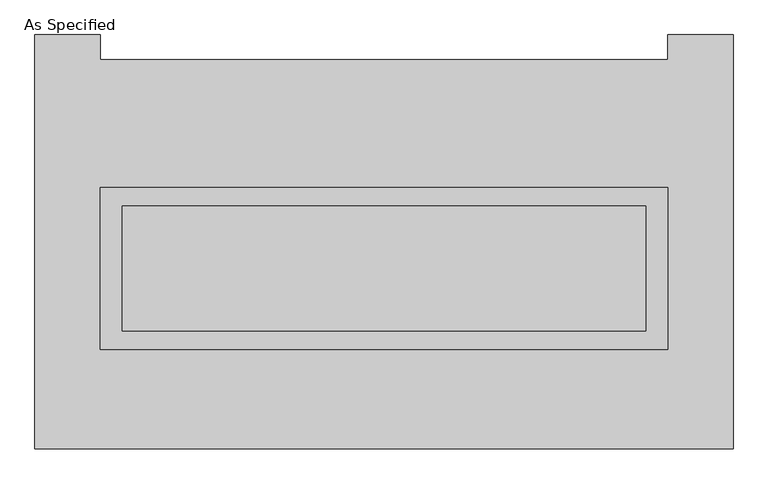
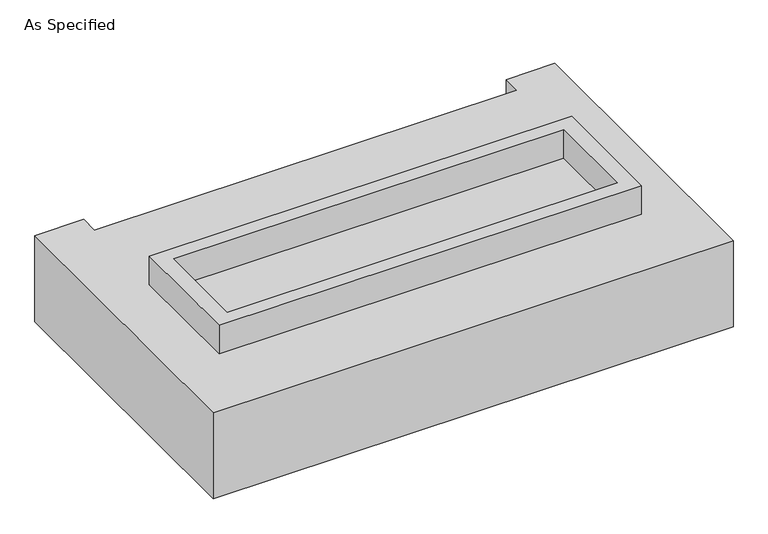
"""IFC4 building model written with IfcOpenShell, lengths in millimetres: proxy geometry, As Specified."""

import ifcopenshell
import ifcopenshell.guid

model = None  # the IFC model being written
_history = None  # IfcOwnerHistory: only IFC2X3 demands one
_inside = {}  # id of a spatial element -> (the spatial element, [elements in it])
_under = {}  # id of a project, library or spatial element -> (it, [spatial elements below it])
_declared = {}  # id of a project -> (the project, [libraries it declares])
_typed = {}  # id of a type object -> (the type object, [elements of that type])
_made_of = {}  # id of a material, layer set ... -> (it, [elements and type objects made of it])


def new_model(schema):
    """Start an empty IFC model of exactly this schema.

    Asked for "IFC4X3", IfcOpenShell would pick the latest addendum, in which some entities
    have other attributes; the version numbers below select the first issue.
    IFC2X3 requires an IfcOwnerHistory on every rooted entity: one is made here for all.
    """
    global model, _history
    if schema == "IFC4X3":
        model = ifcopenshell.file(schema_version=(4, 3, 0, 0))
    else:
        model = ifcopenshell.file(schema=schema)
    _inside.clear()
    _under.clear()
    _declared.clear()
    _typed.clear()
    _made_of.clear()
    _history = None
    if model.schema == "IFC2X3":
        org = make("IfcOrganization", Name="unknown")
        user = make(
            "IfcPersonAndOrganization",
            ThePerson=make("IfcPerson", FamilyName="unknown"),
            TheOrganization=org,
        )
        app = make(
            "IfcApplication",
            ApplicationDeveloper=org,
            Version="unknown",
            ApplicationFullName="unknown",
            ApplicationIdentifier="unknown",
        )
        _history = make(
            "IfcOwnerHistory",
            OwningUser=user,
            OwningApplication=app,
            ChangeAction="ADDED",
            CreationDate=0,
        )
    return model


def make(cls, **values):
    """One entity of the class cls with the attributes given. An attribute that is None is left unset."""
    return model.create_entity(
        cls, **{name: value for name, value in values.items() if value is not None}
    )


def rooted(cls, **values):
    """An entity with a GlobalId (a new one), such as an element, a storey or a relation."""
    return make(cls, GlobalId=ifcopenshell.guid.new(), OwnerHistory=_history, **values)


def si_unit(unit_type, name, prefix=None):
    """IfcSIUnit, for example si_unit("LENGTHUNIT", "METRE", prefix="MILLI")."""
    return make("IfcSIUnit", UnitType=unit_type, Prefix=prefix, Name=name)


def assignment(units):
    """IfcUnitAssignment: the units of a project."""
    return None if units is None else make("IfcUnitAssignment", Units=units)


def point(xyz):
    """IfcCartesianPoint."""
    return None if xyz is None else make("IfcCartesianPoint", Coordinates=xyz)


def direction(xyz):
    """IfcDirection."""
    return None if xyz is None else make("IfcDirection", DirectionRatios=xyz)


def frame(location, z_axis=None, x_axis=None):
    """IfcAxis2Placement3D, a coordinate frame: its origin and axes. An axis left out is left unset."""
    return make(
        "IfcAxis2Placement3D",
        Location=point(location),
        Axis=direction(z_axis),
        RefDirection=direction(x_axis),
    )


def origin():
    """The frame at (0, 0, 0) with its axes left unset."""
    return frame((0.0, 0.0, 0.0))


def place(relative_to, where):
    """IfcLocalPlacement: puts the frame where relative to a parent placement (None: the world)."""
    return make(
        "IfcLocalPlacement", PlacementRelTo=relative_to, RelativePlacement=where
    )


def context(
    kind, dimensions, precision=None, world=None, true_north=None, identifier=None
):
    """IfcGeometricRepresentationContext, for example the 3D "Model" context."""
    return make(
        "IfcGeometricRepresentationContext",
        ContextIdentifier=identifier,
        ContextType=kind,
        CoordinateSpaceDimension=dimensions,
        Precision=precision,
        WorldCoordinateSystem=world,
        TrueNorth=true_north,
    )


def project(units=None, contexts=None):
    """IfcProject with its units and contexts."""
    return rooted(
        "IfcProject",
        Name="project",
        RepresentationContexts=contexts,
        UnitsInContext=assignment(units),
    )


def spatial(cls, under=None, at=None, **own):
    """A site, building, storey or space (cls), placed at a placement, below another one or the project."""
    s = rooted(cls, ObjectPlacement=at, **own)
    if under is not None:
        _under.setdefault(under.id(), (under, []))[1].append(s)
    return s


def polyline(points):
    """IfcPolyline through the points."""
    return make("IfcPolyline", Points=[point(p) for p in points])


def outline(outer, holes=None, kind="AREA"):
    """IfcArbitraryClosedProfileDef: a profile drawn as a closed curve; with holes, ...WithVoids."""
    if holes is None:
        return make("IfcArbitraryClosedProfileDef", ProfileType=kind, OuterCurve=outer)
    return make(
        "IfcArbitraryProfileDefWithVoids",
        ProfileType=kind,
        OuterCurve=outer,
        InnerCurves=holes,
    )


def extrude(swept, where, along, depth):
    """IfcExtrudedAreaSolid: the profile swept, set in the frame where, extruded along a direction by depth."""
    return make(
        "IfcExtrudedAreaSolid",
        SweptArea=swept,
        Position=where,
        ExtrudedDirection=direction(along),
        Depth=depth,
    )


def faces_of(points, faces, orient=None, outer=None):
    """IfcFace entities. A face is a list of loops; a loop is a list of indices into points, from 0.

    orient and outer hold one flag for each loop. By default every Orientation is true, the
    first loop of a face is its IfcFaceOuterBound and the others are IfcFaceBound.
    """
    made = []
    for i, loops in enumerate(faces):
        bounds = []
        for j, loop in enumerate(loops):
            is_outer = j == 0 if outer is None else outer[i][j]
            bounds.append(
                make(
                    "IfcFaceOuterBound" if is_outer else "IfcFaceBound",
                    Bound=make("IfcPolyLoop", Polygon=[points[k] for k in loop]),
                    Orientation=True if orient is None else orient[i][j],
                )
            )
        made.append(make("IfcFace", Bounds=bounds))
    return made


def faceted_brep(points, faces, orient=None, outer=None, voids=None):
    """IfcFacetedBrep: a solid bounded by flat faces; with voids (closed shells), ...WithVoids."""
    shared = [point(p) for p in points]
    hull = make("IfcClosedShell", CfsFaces=faces_of(shared, faces, orient, outer))
    if voids is None:
        return make("IfcFacetedBrep", Outer=hull)
    return make(
        "IfcFacetedBrepWithVoids",
        Outer=hull,
        Voids=[
            make(cls, CfsFaces=faces_of(shared, fs, o, b)) for cls, fs, o, b in voids
        ],
    )


def shape(context_of_items, identifier, shape_type, items):
    """IfcShapeRepresentation: the items that make up one representation, for example the "Body"."""
    return make(
        "IfcShapeRepresentation",
        ContextOfItems=context_of_items,
        RepresentationIdentifier=identifier,
        RepresentationType=shape_type,
        Items=items,
    )


def source(mapping_origin, context_of_items, identifier, shape_type, items):
    """IfcRepresentationMap: a shape defined once, which mapped items show again and again."""
    return make(
        "IfcRepresentationMap",
        MappingOrigin=mapping_origin,
        MappedRepresentation=shape(context_of_items, identifier, shape_type, items),
    )


def transform(
    local_origin,
    x_axis=None,
    y_axis=None,
    z_axis=None,
    scale=None,
    scale2=None,
    scale3=None,
    uniform=True,
):
    """IfcCartesianTransformationOperator3D, or its non-uniform kind. x_axis, y_axis, z_axis: its Axis1, 2, 3."""
    if uniform:
        return make(
            "IfcCartesianTransformationOperator3D",
            Axis1=direction(x_axis),
            Axis2=direction(y_axis),
            LocalOrigin=point(local_origin),
            Scale=scale,
            Axis3=direction(z_axis),
        )
    return make(
        "IfcCartesianTransformationOperator3DnonUniform",
        Axis1=direction(x_axis),
        Axis2=direction(y_axis),
        LocalOrigin=point(local_origin),
        Scale=scale,
        Axis3=direction(z_axis),
        Scale2=scale2,
        Scale3=scale3,
    )


def mapped(mapping_source, mapping_target):
    """IfcMappedItem: shows the shape of a source again, moved by a transform."""
    return make(
        "IfcMappedItem", MappingSource=mapping_source, MappingTarget=mapping_target
    )


def made_of(thing, what):
    """Note that an element or type object is made of a material, layer set ...; save() writes the relation."""
    if what is not None:
        _made_of.setdefault(what.id(), (what, []))[1].append(thing)
    return thing


def element(
    cls,
    number,
    at=None,
    inside=None,
    cuts=None,
    type_object=None,
    material=None,
    context=None,
    identifier="Body",
    shape_type=None,
    held_by="IfcProductDefinitionShape",
    body=None,
    shapes=None,
    **own,
):
    """One element of the class cls, such as IfcWall. Its Tag is "e" and its number.

    at: its placement. inside: the storey or other place that contains it. cuts: it is an
    opening in that element (IfcRelVoidsElement). A single representation is given by context,
    identifier, shape_type and body (its items); several are given by shapes. held_by: the class
    of the entity that holds the representations. save() writes the other relations.
    """
    e = rooted(cls, Tag="e%d" % number, ObjectPlacement=at, **own)
    if body is not None:
        shapes = [shape(context, identifier, shape_type, body)]
    if shapes is not None:
        e.Representation = make(held_by, Representations=shapes)
    if inside is not None:
        _inside.setdefault(inside.id(), (inside, []))[1].append(e)
    if cuts is not None:
        rooted(
            "IfcRelVoidsElement", RelatingBuildingElement=cuts, RelatedOpeningElement=e
        )
    if type_object is not None:
        _typed.setdefault(type_object.id(), (type_object, []))[1].append(e)
    return made_of(e, material)


def aggregate(whole, parts):
    """IfcRelAggregates: a whole, such as a stair, and the parts it consists of."""
    return rooted("IfcRelAggregates", RelatingObject=whole, RelatedObjects=parts)


def save(model, path):
    """Write the relations noted so far, then the file.

    IfcRelAggregates (storeys below a building ...), IfcRelContainedInSpatialStructure (elements
    in a storey), IfcRelDefinesByType, IfcRelAssociatesMaterial and IfcRelDeclares: one each for
    every whole, place, type object, material and project.
    """
    for whole, parts in _under.values():
        aggregate(whole, parts)
    for where, things in _inside.values():
        rooted(
            "IfcRelContainedInSpatialStructure",
            RelatedElements=things,
            RelatingStructure=where,
        )
    for kind, things in _typed.values():
        rooted("IfcRelDefinesByType", RelatedObjects=things, RelatingType=kind)
    for what, things in _made_of.values():
        rooted("IfcRelAssociatesMaterial", RelatedObjects=things, RelatingMaterial=what)
    for by, libraries in _declared.values():
        rooted("IfcRelDeclares", RelatingContext=by, RelatedDefinitions=libraries)
    model.write(path)


def as_specified_32838aac(model_context):
    return source(origin(), model_context, "Body", "SolidModel", [
        extrude(outline(polyline([(1155.7, 273.05), (1155.7, -387.35), (-1155.7, -387.35), (-1155.7, 273.05), (1155.7, 273.05)]), holes=[polyline([(1066.8, 196.85), (-1066.8, 196.85), (-1066.8, -311.15), (1066.8, -311.15), (1066.8, 196.85)])]), frame((0.0, 0.0, -25.4), z_axis=(0.0, 0.0, 1.0), x_axis=(1.0, 0.0, 0.0)), (0.0, 0.0, 1.0), 165.1),
        extrude(outline(polyline([(1066.8, 196.85), (1066.8, -311.15), (-1066.8, -311.15), (-1066.8, 196.85), (1066.8, 196.85)])), frame((0.0, 0.0, -30.3609375), z_axis=(0.0, 0.0, 1.0), x_axis=(1.0, 0.0, 0.0)), (0.0, 0.0, 1.0), 4.9609375),
        faceted_brep([(1422.4, -793.75, -523.875), (-1422.4, -793.75, -523.875), (-1422.4, 895.35, -523.875), (-1155.7, 895.35, -523.875), (-1155.7, 793.75, -523.875), (1155.7, 793.75, -523.875), (1155.7, 895.35, -523.875), (1422.4, 895.35, -523.875), (-1422.4, -793.75, -25.4), (1422.4, -793.75, -25.4), (1422.4, 895.35, -25.4), (1155.7, 895.35, -25.4), (1155.7, 793.75, -25.4), (-1155.7, 793.75, -25.4), (-1155.7, 895.35, -25.4), (-1422.4, 895.35, -25.4), (-1155.7, -387.35, -25.4), (-1155.7, 273.05, -25.4), (1155.7, 273.05, -25.4), (1155.7, -387.35, -25.4), (1155.7, 273.05, -498.475), (-1155.7, 273.05, -498.475), (-1155.7, -387.35, -498.475), (1155.7, -387.35, -498.475)], [[[0, 1, 2, 3, 4, 5, 6, 7]], [[8, 9, 10, 11, 12, 13, 14, 15], [16, 17, 18, 19]], [[4, 13, 12, 5]], [[1, 8, 15, 2]], [[10, 9, 0, 7]], [[20, 21, 22, 23]], [[22, 21, 17, 16]], [[21, 20, 18, 17]], [[20, 23, 19, 18]], [[16, 19, 23, 22]], [[1, 0, 9, 8]], [[4, 3, 14, 13]], [[3, 2, 15, 14]], [[6, 5, 12, 11]], [[7, 6, 11, 10]]]),
    ])


if __name__ == "__main__":
    model = new_model("IFC4")
    model_context = context("Model", 3, world=origin())
    ifc_project = project(units=[si_unit("LENGTHUNIT", "METRE", prefix="MILLI")], contexts=[model_context])
    site = spatial("IfcSite", under=ifc_project)
    building = spatial("IfcBuilding", under=site)
    placement = place(None, origin())
    as_specified_shape = as_specified_32838aac(model_context)
    element("IfcBuildingElementProxy", 1, Name="As Specified", ObjectType="As Specified", at=placement, inside=building, context=model_context, shape_type="MappedRepresentation", body=[
        mapped(as_specified_shape, transform((0.0, 0.0, 0.0), x_axis=(1.0, 0.0, 0.0), y_axis=(0.0, 1.0, 0.0), z_axis=(0.0, 0.0, 1.0))),
    ])
    save(model, "model.ifc")
